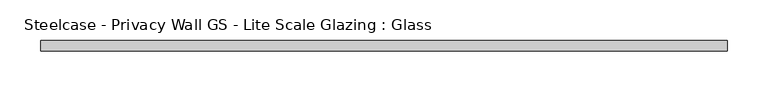
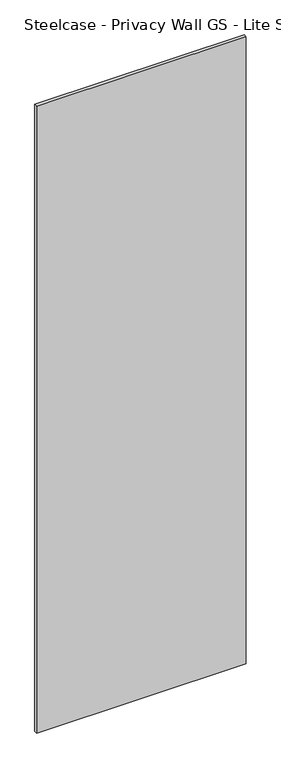
"""IFC4 building model written with IfcOpenShell, lengths in millimetres: plate geometry, Steelcase - Privacy Wall GS - Lite Scale Glazing : Glass."""

from ifc_helpers import new_model, si_unit, origin, origin_with_axes, place, context, project, spatial, polyline, outline, extrude, source, transform, mapped, element, save


def steelcase_privacy_wall_gs_lite_scale_glazing_glass_87be496a(model_context):
    return source(origin(), model_context, "Body", "SweptSolid", [
        extrude(outline(polyline([(-421.7398522, -6.349956), (-421.7398522, 6.3502015), (421.7398522, 6.3502015), (421.7398522, -6.349956), (-421.7398522, -6.349956)])), origin_with_axes(), (0.0, 0.0, 1.0), 2665.984),
    ])


if __name__ == "__main__":
    model = new_model("IFC4")
    model_context = context("Model", 3, world=origin())
    ifc_project = project(units=[si_unit("LENGTHUNIT", "METRE", prefix="MILLI")], contexts=[model_context])
    site = spatial("IfcSite", under=ifc_project)
    building = spatial("IfcBuilding", under=site)
    placement = place(None, origin())
    steelcase_privacy_wall_gs_lite_scale_glazing_glass_shape = steelcase_privacy_wall_gs_lite_scale_glazing_glass_87be496a(model_context)
    element("IfcPlate", 1, ObjectType="Steelcase - Privacy Wall GS - Lite Scale Glazing : Glass", at=placement, inside=building, context=model_context, shape_type="MappedRepresentation", body=[
        mapped(steelcase_privacy_wall_gs_lite_scale_glazing_glass_shape, transform((0.0, 0.0, 0.0), x_axis=(1.0, 0.0, 0.0), y_axis=(0.0, 1.0, 0.0), z_axis=(0.0, 0.0, 1.0))),
    ])
    save(model, "model.ifc")
